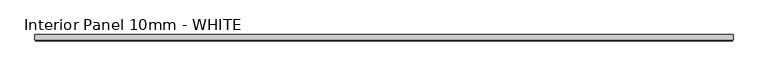
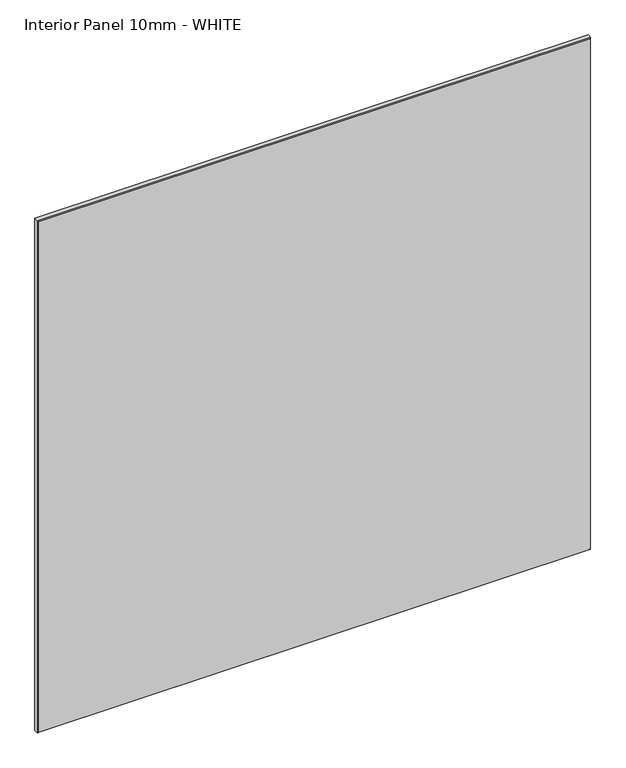
"""IFC4 building model written with IfcOpenShell, lengths in millimetres: proxy geometry, Interior Panel 10mm - WHITE."""

from ifc_helpers import new_model, si_unit, origin, place, context, project, spatial, faceted_brep, source, transform, mapped, element, save


def interior_panel_10mm_white_5ffd1ec0(model_context):
    return source(origin(), model_context, "Body", "Brep", [
        faceted_brep([(992.1875, 3.175, 1041.4), (-73.025, 3.175, 1041.4), (-73.025, -4.7625, 1041.4), (992.1875, -4.7625, 1041.4), (992.1875, 3.175, 0.0), (992.1875, -4.7625, 0.0), (-73.025, -4.7625, 0.0), (-73.025, 3.175, 0.0), (-71.4375, -6.35, 1039.8125), (-71.4375, -6.35, 1.5875), (990.6, -6.35, 1.5875), (990.6, -6.35, 1039.8125)], [[[0, 1, 2, 3]], [[4, 5, 6, 7]], [[1, 0, 4, 7]], [[2, 1, 7, 6]], [[8, 9, 10, 11]], [[0, 3, 5, 4]], [[2, 6, 9, 8]], [[5, 3, 11, 10]], [[3, 2, 8, 11]], [[6, 5, 10, 9]]]),
    ])


if __name__ == "__main__":
    model = new_model("IFC4")
    model_context = context("Model", 3, world=origin())
    ifc_project = project(units=[si_unit("LENGTHUNIT", "METRE", prefix="MILLI")], contexts=[model_context])
    site = spatial("IfcSite", under=ifc_project)
    building = spatial("IfcBuilding", under=site)
    placement = place(None, origin())
    interior_panel_10mm_white_shape = interior_panel_10mm_white_5ffd1ec0(model_context)
    element("IfcBuildingElementProxy", 1, Name="Interior Panel 10mm - WHITE", ObjectType="Interior Panel 10mm - WHITE", at=placement, inside=building, context=model_context, shape_type="MappedRepresentation", body=[
        mapped(interior_panel_10mm_white_shape, transform((0.0, 0.0, 0.0), x_axis=(1.0, 0.0, 0.0), y_axis=(0.0, 1.0, 0.0), z_axis=(0.0, 0.0, 1.0))),
    ])
    save(model, "model.ifc")
